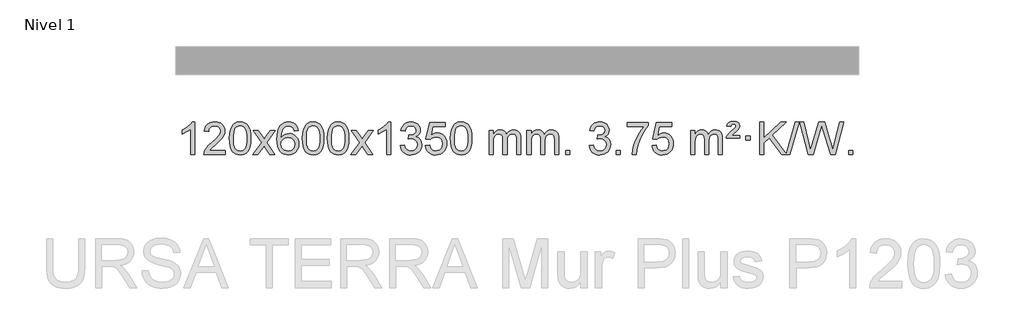
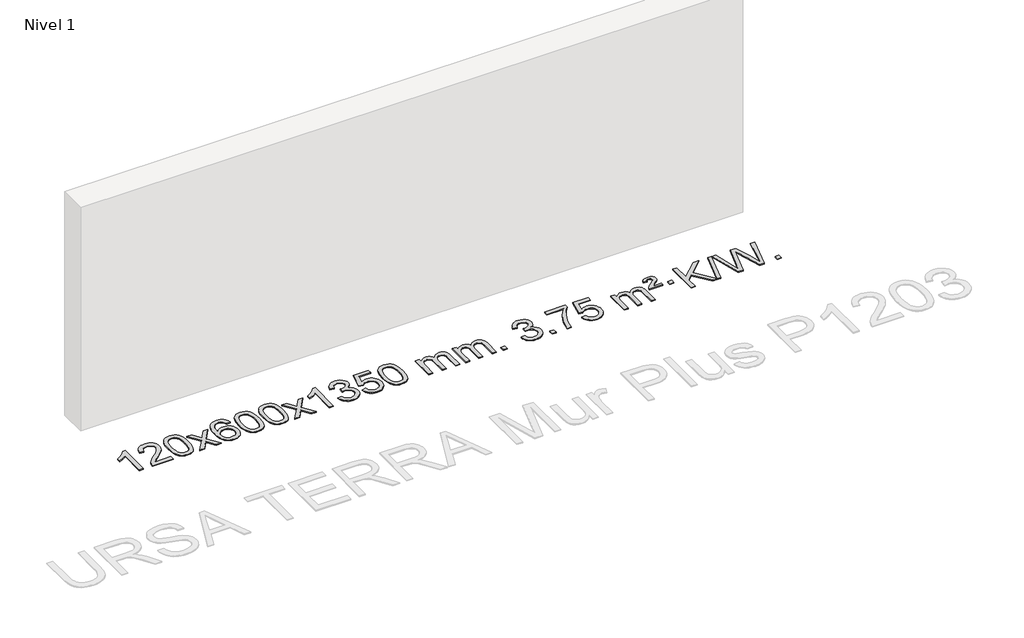
# One storey, part 9 of 15: 1 proxy.
"""IFC4 building model written with IfcOpenShell, lengths in millimetres."""

from ifc_helpers import new_model, si_unit, origin, origin_with_axes, place, context, project, spatial, polyline, outline, extrude, element, save

model = new_model("IFC4")

# Units and contexts
model_context = context("Model", 3, world=origin())
ifc_project = project(units=[si_unit("LENGTHUNIT", "METRE", prefix="MILLI")], contexts=[model_context])

# Site, building, storey
site = spatial("IfcSite", under=ifc_project)
building = spatial("IfcBuilding", under=site)
storey = spatial("IfcBuildingStorey", under=building, Name="Nivel 1", Elevation=0.0)

# Proxy
placement = place(None, origin())
element("IfcBuildingElementProxy", 1, Name="Texto de modelo 1", ObjectType="Texto de modelo 1", at=placement, inside=storey, context=model_context, shape_type="SweptSolid", body=[
    extrude(outline(polyline([(-13245.4422492, -12784.6168569), (-13295.6704043, -12784.6168569), (-13295.6704043, -12471.4757026), (-13316.639678, -12488.4350626), (-13343.249809, -12505.3698971), (-13396.1267145, -12530.7292293), (-13396.1267145, -12483.2479264), (-13356.6775018, -12461.7881434), (-13322.5012645, -12436.2571329), (-13295.5600397, -12409.1074417), (-13277.8158648, -12382.7916163), (-13245.4422492, -12382.7916163), (-13245.4422492, -12784.6168569)])), origin_with_axes(), (0.0, 0.0, 1.0), 10.0),
    extrude(outline(polyline([(-12868.7310862, -12734.3887018), (-12868.7310862, -12784.6168569), (-13132.4289003, -12784.6168569), (-13131.3252543, -12766.9339956), (-13127.0332977, -12749.9868984), (-13114.6479372, -12722.9230463), (-13096.5236176, -12696.6685346), (-13070.3058941, -12669.1877495), (-13033.6403219, -12638.4450775), (-12979.4390413, -12590.301587), (-12946.9182729, -12554.7641863), (-12930.6578887, -12525.9222379), (-12925.2377606, -12497.8651044), (-12930.3513204, -12472.7142386), (-12945.6919996, -12451.8062786), (-12969.2732355, -12437.7163982), (-12999.1084653, -12433.0197713), (-13030.4397485, -12437.6060336), (-13054.7812739, -12451.3648202), (-13070.4898351, -12473.2170107), (-13075.9222259, -12502.0834846), (-13126.1503809, -12495.8049652), (-13121.8308332, -12469.8754159), (-13113.9734869, -12447.2200164), (-13102.5783421, -12427.8387666), (-13087.6453988, -12411.7316666), (-13069.5180135, -12399.0703946), (-13048.5395427, -12390.0266288), (-13024.7099864, -12384.6003694), (-12998.0293447, -12382.7916163), (-12971.1095797, -12384.8027045), (-12947.1512648, -12390.8359692), (-12926.1543999, -12400.8914104), (-12908.1189851, -12414.9690281), (-12893.6336316, -12432.02649), (-12883.2869504, -12451.0214636), (-12877.0789418, -12471.9539492), (-12875.0096056, -12494.8239465), (-12877.241423, -12518.8466408), (-12883.9368753, -12542.4524022), (-12895.8194638, -12566.4628337), (-12913.6126896, -12591.6995386), (-12941.9763914, -12621.829074), (-12985.5704078, -12660.5179972), (-13043.3524066, -12708.8331659), (-13066.0139375, -12734.3887018), (-12868.7310862, -12734.3887018)])), origin_with_axes(), (0.0, 0.0, 1.0), 10.0),
    extrude(outline(polyline([(-12818.5029311, -12586.9415981), (-12814.8118484, -12522.6235626), (-12803.7386004, -12471.3285498), (-12785.3935515, -12432.2717446), (-12773.5354886, -12417.0383643), (-12759.8870665, -12404.6683323), (-12744.4023002, -12395.097269), (-12727.0352044, -12388.2607953), (-12686.654024, -12382.7916163), (-12655.7028855, -12386.0289778), (-12627.9891085, -12395.7410625), (-12604.8125428, -12411.5477256), (-12587.4730381, -12433.0688223), (-12574.3764391, -12460.1204117), (-12563.9285904, -12492.5185527), (-12557.0859853, -12533.6600225), (-12554.805117, -12586.9415981), (-12558.4594114, -12650.8917516), (-12569.4222949, -12702.0641372), (-12587.6569791, -12741.1577305), (-12599.487451, -12756.437096), (-12613.1266759, -12768.8715075), (-12628.6298363, -12778.5069501), (-12646.0521145, -12785.3894091), (-12686.654024, -12790.8953763), (-12714.3187501, -12788.5041433), (-12738.8442164, -12781.3304444), (-12760.2304231, -12769.3742795), (-12778.47737, -12752.6356488), (-12795.988553, -12722.3773547), (-12808.4965408, -12684.6755815), (-12816.0013335, -12639.5303293), (-12818.5029311, -12586.9415981)]), holes=[polyline([(-12768.274776, -12586.8434963), (-12766.803248, -12630.5080234), (-12762.3886641, -12665.8522861), (-12755.0310242, -12692.8762843), (-12744.7303283, -12711.5800181), (-12732.2713914, -12724.3056694), (-12718.4390284, -12733.3954204), (-12703.2332393, -12738.849271), (-12686.654024, -12740.6672212), (-12670.0748088, -12738.8431396), (-12654.8690196, -12733.3708949), (-12641.0366566, -12724.2504871), (-12628.5777197, -12711.4819162), (-12618.2770239, -12692.7475256), (-12610.919384, -12665.7296588), (-12606.5048, -12630.4283156), (-12605.033272, -12586.8434963), (-12606.4557491, -12544.3347317), (-12610.7231802, -12509.6128027), (-12617.8355655, -12482.6777093), (-12627.7929048, -12463.5294515), (-12640.0433752, -12450.1814664), (-12654.0351538, -12440.6471914), (-12669.7682404, -12434.9266264), (-12687.2426352, -12433.0197713), (-12703.7360113, -12434.6997658), (-12718.6842831, -12439.7397491), (-12732.0874504, -12448.1397213), (-12743.9455134, -12459.8996825), (-12754.5895658, -12480.7463289), (-12762.1924604, -12508.8525133), (-12766.7541971, -12544.2182358), (-12768.274776, -12586.8434963)])]), origin_with_axes(), (0.0, 0.0, 1.0), 10.0),
    extrude(outline(polyline([(-12529.6910394, -12784.6168569), (-12422.3675987, -12636.2868364), (-12523.41252, -12489.5264458), (-12462.981771, -12489.5264458), (-12414.2251439, -12560.1597889), (-12391.4655111, -12593.5144231), (-12371.7470362, -12566.2421045), (-12316.2213804, -12489.5264458), (-12255.7906313, -12489.5264458), (-12361.9368496, -12636.2868364), (-12259.7147059, -12784.6168569), (-12320.145455, -12784.6168569), (-12381.6553246, -12695.4422612), (-12392.9370391, -12679.1573516), (-12469.2602903, -12784.6168569), (-12529.6910394, -12784.6168569)])), origin_with_axes(), (0.0, 0.0, 1.0), 10.0),
    extrude(outline(polyline([(-11970.9028142, -12489.5264458), (-12021.1309693, -12495.8049652), (-12029.2243732, -12470.9116168), (-12040.1627312, -12453.9154687), (-12062.9468894, -12438.2436957), (-12090.4889881, -12433.0197713), (-12113.8372321, -12436.0609292), (-12135.8120499, -12445.1844027), (-12154.6843963, -12464.4001055), (-12170.0986519, -12490.850821), (-12180.5097123, -12528.2644199), (-12184.3724733, -12580.3687731), (-12164.2248027, -12556.8611137), (-12140.0794811, -12540.2941611), (-12113.2854091, -12530.4717119), (-12085.1914874, -12527.1975621), (-12061.0584285, -12529.4355109), (-12038.7893051, -12536.1493573), (-12018.3841171, -12547.3391013), (-11999.8428645, -12563.004743), (-11984.4347403, -12582.2143145), (-11973.4289372, -12604.0358482), (-11966.8254554, -12628.469344), (-11964.6242948, -12655.514802), (-11968.7690986, -12691.4813984), (-11981.2035101, -12724.8237699), (-12000.8974596, -12753.1016326), (-12026.8208775, -12773.8747026), (-12057.7965415, -12786.6402078), (-12092.6472291, -12790.8953763), (-12122.5897579, -12788.0749476), (-12149.6321502, -12779.6136617), (-12173.7744061, -12765.5115186), (-12195.0165257, -12745.7685182), (-12212.3345706, -12719.5507947), (-12224.7046027, -12686.0244822), (-12232.1266219, -12645.1895807), (-12234.6006284, -12597.0460903), (-12231.8537761, -12543.0716702), (-12223.6132194, -12497.006713), (-12209.8789583, -12458.8512188), (-12190.6509927, -12428.6051874), (-12169.8104776, -12408.56175), (-12145.6467619, -12394.2450091), (-12118.1598455, -12385.6549645), (-12087.3497284, -12382.7916163), (-12064.2160823, -12384.5635812), (-12043.2774654, -12389.879476), (-12024.5338777, -12398.7393008), (-12007.9853193, -12411.1430554), (-11994.0793799, -12426.6738069), (-11983.2636492, -12444.9146225), (-11975.5381274, -12465.8655021), (-11970.9028142, -12489.5264458)]), holes=[polyline([(-12184.3724733, -12654.7299871), (-12181.4662055, -12676.9868478), (-12172.7474022, -12698.2381644), (-12159.2093448, -12716.5096368), (-12141.8453146, -12729.8269651), (-12120.8883036, -12737.9571571), (-12096.5713038, -12740.6672212), (-12063.425136, -12735.0508894), (-12049.5099995, -12728.0304746), (-12037.366828, -12718.201894), (-12027.5167876, -12705.9636863), (-12020.4810444, -12691.7143904), (-12014.8524499, -12657.1825337), (-12020.407468, -12624.036366), (-12027.3512407, -12610.4155351), (-12037.0725224, -12598.7628729), (-12049.2524821, -12589.4278673), (-12063.5722888, -12582.7600061), (-12098.6314429, -12577.4257172), (-12131.7285598, -12582.7600061), (-12159.4055485, -12598.7628729), (-12170.3285781, -12610.2622509), (-12178.1307421, -12623.4232293), (-12182.8120405, -12638.245808), (-12184.3724733, -12654.7299871)])]), origin_with_axes(), (0.0, 0.0, 1.0), 10.0),
    extrude(outline(polyline([(-11920.6746591, -12586.9415981), (-11916.9835765, -12522.6235626), (-11905.9103284, -12471.3285498), (-11887.5652796, -12432.2717446), (-11875.7072166, -12417.0383643), (-11862.0587946, -12404.6683323), (-11846.5740283, -12395.097269), (-11829.2069324, -12388.2607953), (-11788.8257521, -12382.7916163), (-11757.8746135, -12386.0289778), (-11730.1608366, -12395.7410625), (-11706.9842709, -12411.5477256), (-11689.6447662, -12433.0688223), (-11676.5481671, -12460.1204117), (-11666.1003185, -12492.5185527), (-11659.2577134, -12533.6600225), (-11656.976845, -12586.9415981), (-11660.6311395, -12650.8917516), (-11671.5940229, -12702.0641372), (-11689.8287072, -12741.1577305), (-11701.659179, -12756.437096), (-11715.298404, -12768.8715075), (-11730.8015644, -12778.5069501), (-11748.2238425, -12785.3894091), (-11788.8257521, -12790.8953763), (-11816.4904781, -12788.5041433), (-11841.0159444, -12781.3304444), (-11862.4021511, -12769.3742795), (-11880.6490981, -12752.6356488), (-11898.160281, -12722.3773547), (-11910.6682689, -12684.6755815), (-11918.1730616, -12639.5303293), (-11920.6746591, -12586.9415981)]), holes=[polyline([(-11870.4465041, -12586.8434963), (-11868.9749761, -12630.5080234), (-11864.5603921, -12665.8522861), (-11857.2027522, -12692.8762843), (-11846.9020564, -12711.5800181), (-11834.4431195, -12724.3056694), (-11820.6107564, -12733.3954204), (-11805.4049673, -12738.849271), (-11788.8257521, -12740.6672212), (-11772.2465368, -12738.8431396), (-11757.0407477, -12733.3708949), (-11743.2083847, -12724.2504871), (-11730.7494478, -12711.4819162), (-11720.4487519, -12692.7475256), (-11713.091112, -12665.7296588), (-11708.676528, -12630.4283156), (-11707.2050001, -12586.8434963), (-11708.6274771, -12544.3347317), (-11712.8949083, -12509.6128027), (-11720.0072935, -12482.6777093), (-11729.9646328, -12463.5294515), (-11742.2151033, -12450.1814664), (-11756.2068818, -12440.6471914), (-11771.9399685, -12434.9266264), (-11789.4143633, -12433.0197713), (-11805.9077394, -12434.6997658), (-11820.8560111, -12439.7397491), (-11834.2591785, -12448.1397213), (-11846.1172414, -12459.8996825), (-11856.7612938, -12480.7463289), (-11864.3641884, -12508.8525133), (-11868.9259251, -12544.2182358), (-11870.4465041, -12586.8434963)])]), origin_with_axes(), (0.0, 0.0, 1.0), 10.0),
    extrude(outline(polyline([(-11613.0272093, -12586.9415981), (-11609.3361266, -12522.6235626), (-11598.2628786, -12471.3285498), (-11579.9178297, -12432.2717446), (-11568.0597668, -12417.0383643), (-11554.4113447, -12404.6683323), (-11538.9265784, -12395.097269), (-11521.5594826, -12388.2607953), (-11481.1783022, -12382.7916163), (-11450.2271637, -12386.0289778), (-11422.5133867, -12395.7410625), (-11399.336821, -12411.5477256), (-11381.9973163, -12433.0688223), (-11368.9007173, -12460.1204117), (-11358.4528686, -12492.5185527), (-11351.6102635, -12533.6600225), (-11349.3293952, -12586.9415981), (-11352.9836896, -12650.8917516), (-11363.9465731, -12702.0641372), (-11382.1812573, -12741.1577305), (-11394.0117292, -12756.437096), (-11407.6509541, -12768.8715075), (-11423.1541145, -12778.5069501), (-11440.5763927, -12785.3894091), (-11481.1783022, -12790.8953763), (-11508.8430283, -12788.5041433), (-11533.3684946, -12781.3304444), (-11554.7547013, -12769.3742795), (-11573.0016482, -12752.6356488), (-11590.5128312, -12722.3773547), (-11603.020819, -12684.6755815), (-11610.5256117, -12639.5303293), (-11613.0272093, -12586.9415981)]), holes=[polyline([(-11562.7990542, -12586.8434963), (-11561.3275262, -12630.5080234), (-11556.9129423, -12665.8522861), (-11549.5553024, -12692.8762843), (-11539.2546065, -12711.5800181), (-11526.7956696, -12724.3056694), (-11512.9633066, -12733.3954204), (-11497.7575175, -12738.849271), (-11481.1783022, -12740.6672212), (-11464.599087, -12738.8431396), (-11449.3932978, -12733.3708949), (-11435.5609348, -12724.2504871), (-11423.1019979, -12711.4819162), (-11412.8013021, -12692.7475256), (-11405.4436622, -12665.7296588), (-11401.0290782, -12630.4283156), (-11399.5575502, -12586.8434963), (-11400.9800273, -12544.3347317), (-11405.2474584, -12509.6128027), (-11412.3598437, -12482.6777093), (-11422.317183, -12463.5294515), (-11434.5676534, -12450.1814664), (-11448.559432, -12440.6471914), (-11464.2925187, -12434.9266264), (-11481.7669134, -12433.0197713), (-11498.2602895, -12434.6997658), (-11513.2085613, -12439.7397491), (-11526.6117286, -12448.1397213), (-11538.4697916, -12459.8996825), (-11549.113844, -12480.7463289), (-11556.7167386, -12508.8525133), (-11561.2784753, -12544.2182358), (-11562.7990542, -12586.8434963)])]), origin_with_axes(), (0.0, 0.0, 1.0), 10.0),
    extrude(outline(polyline([(-11324.2153176, -12784.6168569), (-11216.8918769, -12636.2868364), (-11317.9367982, -12489.5264458), (-11257.5060492, -12489.5264458), (-11208.7494221, -12560.1597889), (-11185.9897893, -12593.5144231), (-11166.2713144, -12566.2421045), (-11110.7456586, -12489.5264458), (-11050.3149095, -12489.5264458), (-11156.4611278, -12636.2868364), (-11054.2389841, -12784.6168569), (-11114.6697332, -12784.6168569), (-11176.1796028, -12695.4422612), (-11187.4613173, -12679.1573516), (-11263.7845685, -12784.6168569), (-11324.2153176, -12784.6168569)])), origin_with_axes(), (0.0, 0.0, 1.0), 10.0),
    extrude(outline(polyline([(-10834.4908056, -12784.6168569), (-10884.7189607, -12784.6168569), (-10884.7189607, -12471.4757026), (-10905.6882344, -12488.4350626), (-10932.2983654, -12505.3698971), (-10985.1752709, -12530.7292293), (-10985.1752709, -12483.2479264), (-10945.7260583, -12461.7881434), (-10911.5498209, -12436.2571329), (-10884.6085961, -12409.1074417), (-10866.8644212, -12382.7916163), (-10834.4908056, -12382.7916163), (-10834.4908056, -12784.6168569)])), origin_with_axes(), (0.0, 0.0, 1.0), 10.0),
    extrude(outline(polyline([(-10715.1989373, -12677.8820273), (-10664.9707823, -12671.603508), (-10653.7258559, -12703.1677831), (-10637.2570053, -12724.4804134), (-10614.7548899, -12736.6205192), (-10585.4101694, -12740.6672212), (-10550.9764147, -12735.0999403), (-10536.7025933, -12728.1408392), (-10524.3908092, -12718.3980977), (-10507.394661, -12693.4802239), (-10501.7292783, -12663.2648494), (-10507.3456101, -12634.5823165), (-10524.1946054, -12611.3199117), (-10549.7010904, -12595.9056561), (-10581.2898911, -12590.7675709), (-10616.5084608, -12596.2612753), (-10610.9166544, -12546.0331203), (-10602.8723015, -12546.6217315), (-10572.7795543, -12543.0164879), (-10545.8751177, -12532.2007572), (-10534.8018696, -12524.0215142), (-10526.8924067, -12513.9047594), (-10522.146729, -12501.8504926), (-10520.5648364, -12487.8587141), (-10525.1510986, -12466.1659391), (-10538.9098853, -12448.568917), (-10559.9036844, -12436.9070578), (-10586.1949844, -12433.0197713), (-10612.5353352, -12436.943846), (-10634.0686947, -12448.7160698), (-10649.7895186, -12468.3364429), (-10658.6922629, -12495.8049652), (-10708.920418, -12489.5264458), (-10702.966861, -12465.5466711), (-10694.1315618, -12444.4241132), (-10682.4145202, -12426.1587721), (-10667.8157364, -12410.7506479), (-10650.7950627, -12398.5185716), (-10631.8123518, -12389.7813742), (-10610.8676035, -12384.5390557), (-10587.9608179, -12382.7916163), (-10556.38428, -12386.2374443), (-10527.3829161, -12396.5749284), (-10502.9310261, -12412.8843635), (-10485.0029102, -12434.2460447), (-10474.0032386, -12458.8573501), (-10470.3366814, -12484.9156581), (-10473.8192976, -12509.1958698), (-10484.2671462, -12531.2197386), (-10501.5330745, -12549.9817203), (-10525.4699297, -12564.476271), (-10494.0282818, -12577.1804625), (-10470.7290888, -12598.8119238), (-10456.3081146, -12628.1934325), (-10451.5011232, -12664.1477662), (-10453.9046189, -12689.6297257), (-10461.115106, -12713.100597), (-10473.1325845, -12734.5603801), (-10489.9570544, -12754.0090749), (-10510.4542129, -12770.1468317), (-10533.4897572, -12781.6738009), (-10559.0636872, -12788.5899824), (-10587.176003, -12790.8953763), (-10612.5843862, -12788.9272076), (-10635.7364264, -12783.0227016), (-10656.6321237, -12773.1818582), (-10675.2714781, -12759.4046775), (-10690.9003316, -12742.5004998), (-10702.7645259, -12723.2786655), (-10710.8640612, -12701.7391747), (-10715.1989373, -12677.8820273)])), origin_with_axes(), (0.0, 0.0, 1.0), 10.0),
    extrude(outline(polyline([(-10407.5514875, -12677.8820273), (-10357.3233324, -12671.603508), (-10348.1017571, -12701.7575688), (-10332.0130512, -12723.3522419), (-10309.1307911, -12736.3384764), (-10279.5285532, -12740.6672212), (-10260.3986894, -12739.1619707), (-10243.5251686, -12734.6462192), (-10228.9079907, -12727.1199667), (-10216.5471556, -12716.5832132), (-10206.718575, -12703.5571249), (-10199.6981602, -12688.5628679), (-10194.0818284, -12652.6698479), (-10199.342541, -12618.8737553), (-10205.9184316, -12604.9555532), (-10215.1246786, -12593.0239138), (-10226.9919386, -12583.4528505), (-10241.5508686, -12576.6163768), (-10278.7437383, -12571.1471978), (-10303.1097891, -12573.3299643), (-10322.8405268, -12579.8782638), (-10338.5981389, -12589.9091796), (-10351.044813, -12602.5397947), (-10401.2729681, -12596.2612753), (-10357.3233324, -12389.0701357), (-10162.6892315, -12389.0701357), (-10162.6892315, -12439.2982907), (-10316.7091602, -12439.2982907), (-10338.1934687, -12549.9571949), (-10320.4676879, -12537.2530033), (-10302.3127114, -12528.1785808), (-10283.7285393, -12522.7339272), (-10264.7151715, -12520.9190427), (-10240.2540845, -12523.1692543), (-10217.7856917, -12529.9198889), (-10197.3099929, -12541.1709466), (-10178.8269884, -12556.9224273), (-10163.5261631, -12576.2117066), (-10152.5970021, -12598.0761598), (-10146.0395056, -12622.5157871), (-10143.8536734, -12649.5305882), (-10145.821842, -12675.552108), (-10151.7263481, -12699.7587433), (-10161.5671914, -12722.1504941), (-10175.3443722, -12742.7273604), (-10196.215544, -12763.8008673), (-10220.5693321, -12778.8533723), (-10248.4057364, -12787.8848753), (-10279.7247569, -12790.8953763), (-10305.6451092, -12788.9609301), (-10329.0577325, -12783.1575916), (-10349.9626268, -12773.4853608), (-10368.3597923, -12759.9442377), (-10383.666749, -12743.2086726), (-10395.3010171, -12723.9531159), (-10403.2625966, -12702.1775674), (-10407.5514875, -12677.8820273)])), origin_with_axes(), (0.0, 0.0, 1.0), 10.0),
    extrude(outline(polyline([(-10099.9040377, -12586.9415981), (-10096.212955, -12522.6235626), (-10085.1397069, -12471.3285498), (-10066.7946581, -12432.2717446), (-10054.9365951, -12417.0383643), (-10041.2881731, -12404.6683323), (-10025.8034068, -12395.097269), (-10008.4363109, -12388.2607953), (-9968.0551306, -12382.7916163), (-9937.1039921, -12386.0289778), (-9909.3902151, -12395.7410625), (-9886.2136494, -12411.5477256), (-9868.8741447, -12433.0688223), (-9855.7775457, -12460.1204117), (-9845.329697, -12492.5185527), (-9838.4870919, -12533.6600225), (-9836.2062235, -12586.9415981), (-9839.860518, -12650.8917516), (-9850.8234015, -12702.0641372), (-9869.0580857, -12741.1577305), (-9880.8885575, -12756.437096), (-9894.5277825, -12768.8715075), (-9910.0309429, -12778.5069501), (-9927.4532211, -12785.3894091), (-9968.0551306, -12790.8953763), (-9995.7198566, -12788.5041433), (-10020.245323, -12781.3304444), (-10041.6315296, -12769.3742795), (-10059.8784766, -12752.6356488), (-10077.3896596, -12722.3773547), (-10089.8976474, -12684.6755815), (-10097.4024401, -12639.5303293), (-10099.9040377, -12586.9415981)]), holes=[polyline([(-10049.6758826, -12586.8434963), (-10048.2043546, -12630.5080234), (-10043.7897707, -12665.8522861), (-10036.4321308, -12692.8762843), (-10026.1314349, -12711.5800181), (-10013.672498, -12724.3056694), (-9999.840135, -12733.3954204), (-9984.6343459, -12738.849271), (-9968.0551306, -12740.6672212), (-9951.4759154, -12738.8431396), (-9936.2701262, -12733.3708949), (-9922.4377632, -12724.2504871), (-9909.9788263, -12711.4819162), (-9899.6781304, -12692.7475256), (-9892.3204905, -12665.7296588), (-9887.9059066, -12630.4283156), (-9886.4343786, -12586.8434963), (-9887.8568557, -12544.3347317), (-9892.1242868, -12509.6128027), (-9899.236672, -12482.6777093), (-9909.1940114, -12463.5294515), (-9921.4444818, -12450.1814664), (-9935.4362604, -12440.6471914), (-9951.169347, -12434.9266264), (-9968.6437418, -12433.0197713), (-9985.1371179, -12434.6997658), (-10000.0853897, -12439.7397491), (-10013.488557, -12448.1397213), (-10025.34662, -12459.8996825), (-10035.9906724, -12480.7463289), (-10043.5935669, -12508.8525133), (-10048.1553037, -12544.2182358), (-10049.6758826, -12586.8434963)])]), origin_with_axes(), (0.0, 0.0, 1.0), 10.0),
    extrude(outline(polyline([(-9622.7365645, -12784.6168569), (-9622.7365645, -12489.5264458), (-9572.5084094, -12489.5264458), (-9572.5084094, -12538.0868692), (-9557.4007221, -12515.7809575), (-9537.9765528, -12498.3065628), (-9514.8980889, -12487.0125855), (-9488.8275182, -12483.2479264), (-9460.8930121, -12487.0861619), (-9438.5012613, -12498.6008684), (-9421.7748932, -12517.0317563), (-9410.8365352, -12541.6185363), (-9392.5282746, -12516.0813945), (-9371.64484, -12497.8405789), (-9348.1862315, -12486.8960895), (-9322.1524489, -12483.2479264), (-9302.0446322, -12484.7654397), (-9284.3954935, -12489.3179793), (-9269.2050328, -12496.9055455), (-9256.4732501, -12507.5281381), (-9246.4086118, -12521.3083845), (-9239.2195845, -12538.368912), (-9234.9061681, -12558.7097207), (-9233.4683626, -12582.3308105), (-9233.4683626, -12784.6168569), (-9283.6965177, -12784.6168569), (-9283.6965177, -12603.9132208), (-9284.8614774, -12578.860457), (-9288.3563563, -12561.9746734), (-9294.9046558, -12550.410916), (-9305.2298772, -12541.3242307), (-9318.5104172, -12535.4381188), (-9333.9246728, -12533.4760815), (-9361.1356777, -12538.5038021), (-9383.318962, -12553.5869639), (-9391.924335, -12565.1568526), (-9398.07103, -12579.7556365), (-9402.988386, -12618.0398895), (-9402.988386, -12784.6168569), (-9453.2165411, -12784.6168569), (-9453.2165411, -12598.3214145), (-9456.1228088, -12569.9209245), (-9464.8416121, -12549.6628893), (-9480.1822913, -12537.5227834), (-9502.9541868, -12533.4760815), (-9522.3047798, -12536.1738828), (-9540.1347938, -12544.2672867), (-9554.8500736, -12557.5600894), (-9564.8564639, -12575.8560873), (-9570.595423, -12601.239945), (-9572.5084094, -12635.7963271), (-9572.5084094, -12784.6168569), (-9622.7365645, -12784.6168569)])), origin_with_axes(), (0.0, 0.0, 1.0), 10.0),
    extrude(outline(polyline([(-9158.12613, -12784.6168569), (-9158.12613, -12489.5264458), (-9107.8979749, -12489.5264458), (-9107.8979749, -12538.0868692), (-9092.7902877, -12515.7809575), (-9073.3661183, -12498.3065628), (-9050.2876545, -12487.0125855), (-9024.2170838, -12483.2479264), (-8996.2825776, -12487.0861619), (-8973.8908268, -12498.6008684), (-8957.1644588, -12517.0317563), (-8946.2261008, -12541.6185363), (-8927.9178402, -12516.0813945), (-8907.0344056, -12497.8405789), (-8883.575797, -12486.8960895), (-8857.5420145, -12483.2479264), (-8837.4341978, -12484.7654397), (-8819.7850591, -12489.3179793), (-8804.5945983, -12496.9055455), (-8791.8628156, -12507.5281381), (-8781.7981774, -12521.3083845), (-8774.6091501, -12538.368912), (-8770.2957337, -12558.7097207), (-8768.8579282, -12582.3308105), (-8768.8579282, -12784.6168569), (-8819.0860833, -12784.6168569), (-8819.0860833, -12603.9132208), (-8820.2510429, -12578.860457), (-8823.7459219, -12561.9746734), (-8830.2942214, -12550.410916), (-8840.6194427, -12541.3242307), (-8853.8999827, -12535.4381188), (-8869.3142383, -12533.4760815), (-8896.5252433, -12538.5038021), (-8918.7085276, -12553.5869639), (-8927.3139006, -12565.1568526), (-8933.4605956, -12579.7556365), (-8938.3779516, -12618.0398895), (-8938.3779516, -12784.6168569), (-8988.6061066, -12784.6168569), (-8988.6061066, -12598.3214145), (-8991.5123744, -12569.9209245), (-9000.2311777, -12549.6628893), (-9015.5718569, -12537.5227834), (-9038.3437524, -12533.4760815), (-9057.6943453, -12536.1738828), (-9075.5243594, -12544.2672867), (-9090.2396392, -12557.5600894), (-9100.2460294, -12575.8560873), (-9105.9849886, -12601.239945), (-9107.8979749, -12635.7963271), (-9107.8979749, -12784.6168569), (-9158.12613, -12784.6168569)])), origin_with_axes(), (0.0, 0.0, 1.0), 10.0),
    extrude(outline(polyline([(-8680.9586568, -12784.6168569), (-8680.9586568, -12734.3887018), (-8630.7305017, -12734.3887018), (-8630.7305017, -12784.6168569), (-8680.9586568, -12784.6168569)])), origin_with_axes(), (0.0, 0.0, 1.0), 10.0),
    extrude(outline(polyline([(-8392.1467651, -12677.8820273), (-8341.9186101, -12671.603508), (-8330.6736837, -12703.1677831), (-8314.2048331, -12724.4804134), (-8291.7027177, -12736.6205192), (-8262.3579972, -12740.6672212), (-8227.9242425, -12735.0999403), (-8213.6504211, -12728.1408392), (-8201.338637, -12718.3980977), (-8184.3424888, -12693.4802239), (-8178.6771061, -12663.2648494), (-8184.2934379, -12634.5823165), (-8201.1424332, -12611.3199117), (-8226.6489182, -12595.9056561), (-8258.2377189, -12590.7675709), (-8293.4562886, -12596.2612753), (-8287.8644822, -12546.0331203), (-8279.8201293, -12546.6217315), (-8249.7273821, -12543.0164879), (-8222.8229455, -12532.2007572), (-8211.7496974, -12524.0215142), (-8203.8402345, -12513.9047594), (-8199.0945568, -12501.8504926), (-8197.5126642, -12487.8587141), (-8202.0989264, -12466.1659391), (-8215.857713, -12448.568917), (-8236.8515122, -12436.9070578), (-8263.1428122, -12433.0197713), (-8289.483163, -12436.943846), (-8311.0165225, -12448.7160698), (-8326.7373464, -12468.3364429), (-8335.6400907, -12495.8049652), (-8385.8682457, -12489.5264458), (-8379.9146888, -12465.5466711), (-8371.0793895, -12444.4241132), (-8359.362348, -12426.1587721), (-8344.7635642, -12410.7506479), (-8327.7428905, -12398.5185716), (-8308.7601796, -12389.7813742), (-8287.8154313, -12384.5390557), (-8264.9086457, -12382.7916163), (-8233.3321078, -12386.2374443), (-8204.3307439, -12396.5749284), (-8179.8788539, -12412.8843635), (-8161.950738, -12434.2460447), (-8150.9510664, -12458.8573501), (-8147.2845091, -12484.9156581), (-8150.7671254, -12509.1958698), (-8161.214974, -12531.2197386), (-8178.4809023, -12549.9817203), (-8202.4177575, -12564.476271), (-8170.9761096, -12577.1804625), (-8147.6769166, -12598.8119238), (-8133.2559424, -12628.1934325), (-8128.448951, -12664.1477662), (-8130.8524467, -12689.6297257), (-8138.0629338, -12713.100597), (-8150.0804123, -12734.5603801), (-8166.9048822, -12754.0090749), (-8187.4020407, -12770.1468317), (-8210.437585, -12781.6738009), (-8236.011515, -12788.5899824), (-8264.1238308, -12790.8953763), (-8289.5322139, -12788.9272076), (-8312.6842542, -12783.0227016), (-8333.5799515, -12773.1818582), (-8352.2193059, -12759.4046775), (-8367.8481593, -12742.5004998), (-8379.7123537, -12723.2786655), (-8387.811889, -12701.7391747), (-8392.1467651, -12677.8820273)])), origin_with_axes(), (0.0, 0.0, 1.0), 10.0),
    extrude(outline(polyline([(-8059.3852378, -12784.6168569), (-8059.3852378, -12734.3887018), (-8009.1570827, -12734.3887018), (-8009.1570827, -12784.6168569), (-8059.3852378, -12784.6168569)])), origin_with_axes(), (0.0, 0.0, 1.0), 10.0),
    extrude(outline(polyline([(-7927.5363307, -12439.2982907), (-7927.5363307, -12389.0701357), (-7663.8385165, -12389.0701357), (-7663.8385165, -12429.6843079), (-7701.4237937, -12477.2514499), (-7738.6411889, -12537.7435126), (-7771.4685256, -12605.6422662), (-7795.8836273, -12675.4294807), (-7807.8520549, -12727.6441985), (-7814.5229818, -12784.6168569), (-7864.7511368, -12784.6168569), (-7859.3187461, -12732.8435974), (-7844.7874072, -12671.3092024), (-7821.5495279, -12606.0837246), (-7789.9975154, -12543.2372171), (-7753.160265, -12486.4239743), (-7714.0666716, -12439.2982907), (-7927.5363307, -12439.2982907)])), origin_with_axes(), (0.0, 0.0, 1.0), 10.0),
    extrude(outline(polyline([(-7619.8888809, -12677.8820273), (-7569.6607258, -12671.603508), (-7560.4391504, -12701.7575688), (-7544.3504445, -12723.3522419), (-7521.4681844, -12736.3384764), (-7491.8659465, -12740.6672212), (-7472.7360828, -12739.1619707), (-7455.8625619, -12734.6462192), (-7441.245384, -12727.1199667), (-7428.884549, -12716.5832132), (-7419.0559683, -12703.5571249), (-7412.0355536, -12688.5628679), (-7406.4192218, -12652.6698479), (-7411.6799343, -12618.8737553), (-7418.255825, -12604.9555532), (-7427.4620719, -12593.0239138), (-7439.3293319, -12583.4528505), (-7453.8882619, -12576.6163768), (-7491.0811316, -12571.1471978), (-7515.4471824, -12573.3299643), (-7535.1779201, -12579.8782638), (-7550.9355322, -12589.9091796), (-7563.3822064, -12602.5397947), (-7613.6103615, -12596.2612753), (-7569.6607258, -12389.0701357), (-7375.0266249, -12389.0701357), (-7375.0266249, -12439.2982907), (-7529.0465535, -12439.2982907), (-7550.530862, -12549.9571949), (-7532.8050812, -12537.2530033), (-7514.6501048, -12528.1785808), (-7496.0659326, -12522.7339272), (-7477.0525649, -12520.9190427), (-7452.5914779, -12523.1692543), (-7430.123085, -12529.9198889), (-7409.6473863, -12541.1709466), (-7391.1643817, -12556.9224273), (-7375.8635564, -12576.2117066), (-7364.9343955, -12598.0761598), (-7358.3768989, -12622.5157871), (-7356.1910667, -12649.5305882), (-7358.1592354, -12675.552108), (-7364.0637414, -12699.7587433), (-7373.9045848, -12722.1504941), (-7387.6817655, -12742.7273604), (-7408.5529374, -12763.8008673), (-7432.9067254, -12778.8533723), (-7460.7431297, -12787.8848753), (-7492.0621503, -12790.8953763), (-7517.9825025, -12788.9609301), (-7541.3951258, -12783.1575916), (-7562.3000202, -12773.4853608), (-7580.6971856, -12759.9442377), (-7596.0041423, -12743.2086726), (-7607.6384104, -12723.9531159), (-7615.5999899, -12702.1775674), (-7619.8888809, -12677.8820273)])), origin_with_axes(), (0.0, 0.0, 1.0), 10.0),
    extrude(outline(polyline([(-7142.7214076, -12784.6168569), (-7142.7214076, -12489.5264458), (-7092.4932526, -12489.5264458), (-7092.4932526, -12538.0868692), (-7077.3855653, -12515.7809575), (-7057.961396, -12498.3065628), (-7034.8829321, -12487.0125855), (-7008.8123614, -12483.2479264), (-6980.8778552, -12487.0861619), (-6958.4861045, -12498.6008684), (-6941.7597364, -12517.0317563), (-6930.8213784, -12541.6185363), (-6912.5131178, -12516.0813945), (-6891.6296832, -12497.8405789), (-6868.1710746, -12486.8960895), (-6842.1372921, -12483.2479264), (-6822.0294754, -12484.7654397), (-6804.3803367, -12489.3179793), (-6789.189876, -12496.9055455), (-6776.4580932, -12507.5281381), (-6766.393455, -12521.3083845), (-6759.2044277, -12538.368912), (-6754.8910113, -12558.7097207), (-6753.4532058, -12582.3308105), (-6753.4532058, -12784.6168569), (-6803.6813609, -12784.6168569), (-6803.6813609, -12603.9132208), (-6804.8463205, -12578.860457), (-6808.3411995, -12561.9746734), (-6814.889499, -12550.410916), (-6825.2147203, -12541.3242307), (-6838.4952604, -12535.4381188), (-6853.909516, -12533.4760815), (-6881.1205209, -12538.5038021), (-6903.3038052, -12553.5869639), (-6911.9091782, -12565.1568526), (-6918.0558732, -12579.7556365), (-6922.9732292, -12618.0398895), (-6922.9732292, -12784.6168569), (-6973.2013843, -12784.6168569), (-6973.2013843, -12598.3214145), (-6976.107652, -12569.9209245), (-6984.8264553, -12549.6628893), (-7000.1671345, -12537.5227834), (-7022.93903, -12533.4760815), (-7042.289623, -12536.1738828), (-7060.119637, -12544.2672867), (-7074.8349168, -12557.5600894), (-7084.8413071, -12575.8560873), (-7090.5802662, -12601.239945), (-7092.4932526, -12635.7963271), (-7092.4932526, -12784.6168569), (-7142.7214076, -12784.6168569)])), origin_with_axes(), (0.0, 0.0, 1.0), 10.0),
    extrude(outline(polyline([(-6709.5035701, -12583.7042366), (-6705.6775974, -12567.8853108), (-6697.3389388, -12552.0173341), (-6675.8301048, -12526.878731), (-6643.8734222, -12499.1404286), (-6599.7275828, -12461.7636179), (-6592.5906721, -12450.2366487), (-6590.2117018, -12438.4153739), (-6592.1001627, -12426.324319), (-6597.7655455, -12416.538658), (-6607.1342736, -12410.0639348), (-6620.1327708, -12407.9056938), (-6632.5671822, -12409.5243746), (-6641.4208756, -12414.3804169), (-6647.8465477, -12423.8472469), (-6652.9968957, -12439.2982907), (-6703.2250507, -12433.0197713), (-6692.3847946, -12407.8075919), (-6675.7565284, -12390.247358), (-6651.9913515, -12379.9466622), (-6619.7403633, -12376.5130969), (-6583.9577079, -12380.645638), (-6559.2115124, -12393.0432612), (-6544.7905382, -12411.3760473), (-6539.9835467, -12433.3140769), (-6544.0792996, -12456.2208625), (-6556.3665583, -12477.8523238), (-6576.8943736, -12497.6689006), (-6613.3637421, -12525.7260341), (-6638.9683289, -12552.3116396), (-6539.9835467, -12552.3116396), (-6539.9835467, -12583.7042366), (-6709.5035701, -12583.7042366)])), origin_with_axes(), (0.0, 0.0, 1.0), 10.0),
    extrude(outline(polyline([(-6464.6413141, -12608.8183141), (-6464.6413141, -12558.590159), (-6414.4131591, -12558.590159), (-6414.4131591, -12608.8183141), (-6464.6413141, -12608.8183141)])), origin_with_axes(), (0.0, 0.0, 1.0), 10.0),
    extrude(outline(polyline([(-6023.7715311, -12784.6168569), (-6177.2028486, -12581.938403), (-6244.8931357, -12646.4894304), (-6244.8931357, -12784.6168569), (-6295.1212908, -12784.6168569), (-6295.1212908, -12382.7916163), (-6244.8931357, -12382.7916163), (-6244.8931357, -12579.4858564), (-6038.8792184, -12382.7916163), (-5968.6382828, -12382.7916163), (-6141.5918714, -12547.9951576), (-5966.9382616, -12778.5723371), (-5855.6249339, -12382.7916163), (-5810.301872, -12382.7916163), (-5923.315221, -12784.6168569), (-5962.3597634, -12784.6168569), (-5968.6382828, -12784.6168569), (-6023.7715311, -12784.6168569)])), origin_with_axes(), (0.0, 0.0, 1.0), 10.0),
    extrude(outline(polyline([(-5695.8169951, -12784.6168569), (-5805.3967788, -12382.7916163), (-5753.5989939, -12382.7916163), (-5690.0289851, -12646.8818379), (-5670.408612, -12728.404488), (-5649.4148128, -12656.299617), (-5569.7560981, -12382.7916163), (-5495.1005786, -12382.7916163), (-5437.220478, -12581.0554862), (-5412.4252315, -12654.6318852), (-5394.1537591, -12728.404488), (-5375.1219972, -12649.2362826), (-5310.9633773, -12382.7916163), (-5259.1655923, -12382.7916163), (-5368.8434778, -12784.6168569), (-5422.5051982, -12784.6168569), (-5518.84123, -12474.6149623), (-5532.2811856, -12431.3520396), (-5547.3888728, -12483.4441302), (-5635.1900423, -12784.6168569), (-5695.8169951, -12784.6168569)])), origin_with_axes(), (0.0, 0.0, 1.0), 10.0),
    extrude(outline(polyline([(-5202.6589179, -12784.6168569), (-5202.6589179, -12734.3887018), (-5152.4307628, -12734.3887018), (-5152.4307628, -12784.6168569), (-5202.6589179, -12784.6168569)])), origin_with_axes(), (0.0, 0.0, 1.0), 10.0),
])

save(model, "model.ifc")
